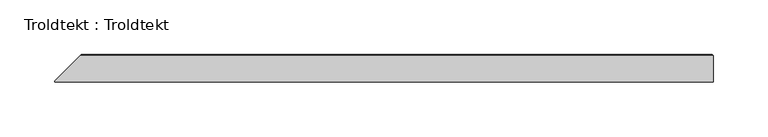
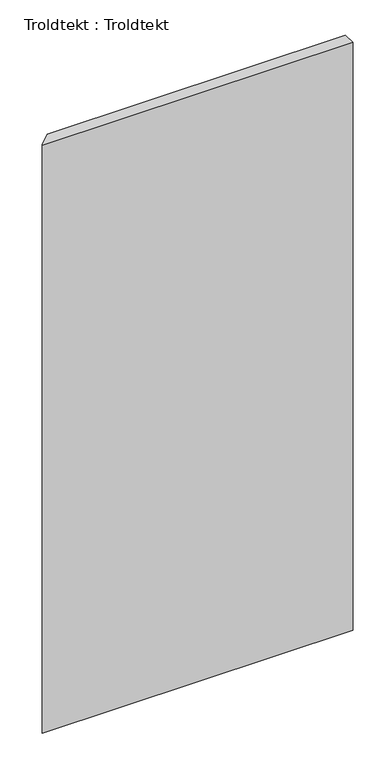
"""IFC4 building model written with IfcOpenShell, lengths in millimetres: proxy geometry, Troldtekt : Troldtekt."""

from ifc_helpers import new_model, si_unit, origin, place, context, project, spatial, faceted_brep, source, transform, mapped, element, save


def troldtekt_troldtekt_646cf9a0(model_context):
    return source(origin(), model_context, "Body", "Brep", [
        faceted_brep([(-300.0, -12.5, 1200.0), (300.0, -12.5, 1200.0), (300.0, 11.495044, 1200.0), (-277.004956, 11.495044, 1200.0), (-300.0, -11.5, 1200.0), (300.0, -12.5, 0.0), (-300.0, -12.5, 0.0), (-300.0, -11.5, 0.0), (-277.004956, 11.495044, 0.0), (300.0, 11.495044, 0.0), (-276.0, 12.5, 1.004956), (-276.0, 12.5, 1198.995044), (298.995044, 12.5, 1198.995044), (298.995044, 12.5, 1.004956)], [[[0, 1, 2, 3, 4]], [[5, 6, 7, 8, 9]], [[10, 11, 12, 13]], [[6, 0, 4, 7]], [[1, 0, 6, 5]], [[1, 5, 9, 2]], [[13, 9, 8, 10]], [[9, 13, 12, 2]], [[2, 12, 11, 3]], [[7, 4, 3, 11, 10, 8]]]),
    ])


if __name__ == "__main__":
    model = new_model("IFC4")
    model_context = context("Model", 3, world=origin())
    ifc_project = project(units=[si_unit("LENGTHUNIT", "METRE", prefix="MILLI")], contexts=[model_context])
    site = spatial("IfcSite", under=ifc_project)
    building = spatial("IfcBuilding", under=site)
    placement = place(None, origin())
    troldtekt_troldtekt_shape = troldtekt_troldtekt_646cf9a0(model_context)
    element("IfcBuildingElementProxy", 1, Name="Troldtekt : Troldtekt", ObjectType="Troldtekt : Troldtekt", at=placement, inside=building, context=model_context, shape_type="MappedRepresentation", body=[
        mapped(troldtekt_troldtekt_shape, transform((0.0, 0.0, 0.0), x_axis=(1.0, 0.0, 0.0), y_axis=(0.0, 1.0, 0.0), z_axis=(0.0, 0.0, 1.0))),
    ])
    save(model, "model.ifc")
